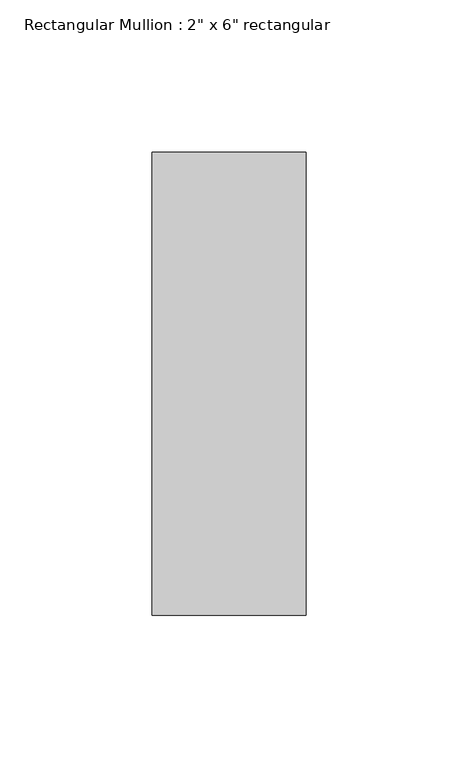
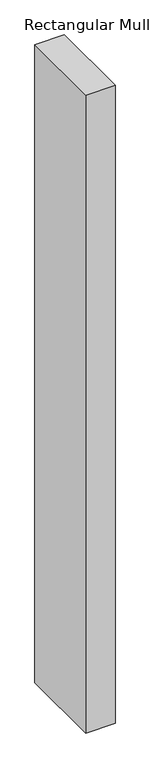
"""IFC4 building model written with IfcOpenShell, lengths in millimetres: member geometry."""

from ifc_helpers import new_model, si_unit, frame, origin, place, context, project, spatial, polyline, outline, extrude, source, transform, mapped, element, save


def member_eab03de6(model_context):
    return source(origin(), model_context, "Body", "SweptSolid", [
        extrude(outline(polyline([(0.0, 76.2), (0.0, -76.2), (-50.8, -76.2), (-50.8, 76.2), (0.0, 76.2)])), frame((0.0, 0.0, -1168.4), z_axis=(0.0, 0.0, 1.0), x_axis=(1.0, 0.0, 0.0)), (0.0, 0.0, 1.0), 1168.4),
    ])


if __name__ == "__main__":
    model = new_model("IFC4")
    model_context = context("Model", 3, world=origin())
    ifc_project = project(units=[si_unit("LENGTHUNIT", "METRE", prefix="MILLI")], contexts=[model_context])
    site = spatial("IfcSite", under=ifc_project)
    building = spatial("IfcBuilding", under=site)
    placement = place(None, origin())
    member_shape = member_eab03de6(model_context)
    element("IfcMember", 1, ObjectType="Rectangular Mullion : 2\" x 6\" rectangular", at=placement, inside=building, context=model_context, shape_type="MappedRepresentation", body=[
        mapped(member_shape, transform((0.0, 0.0, 0.0), x_axis=(1.0, 0.0, 0.0), y_axis=(0.0, 1.0, 0.0), z_axis=(0.0, 0.0, 1.0))),
    ])
    save(model, "model.ifc")
